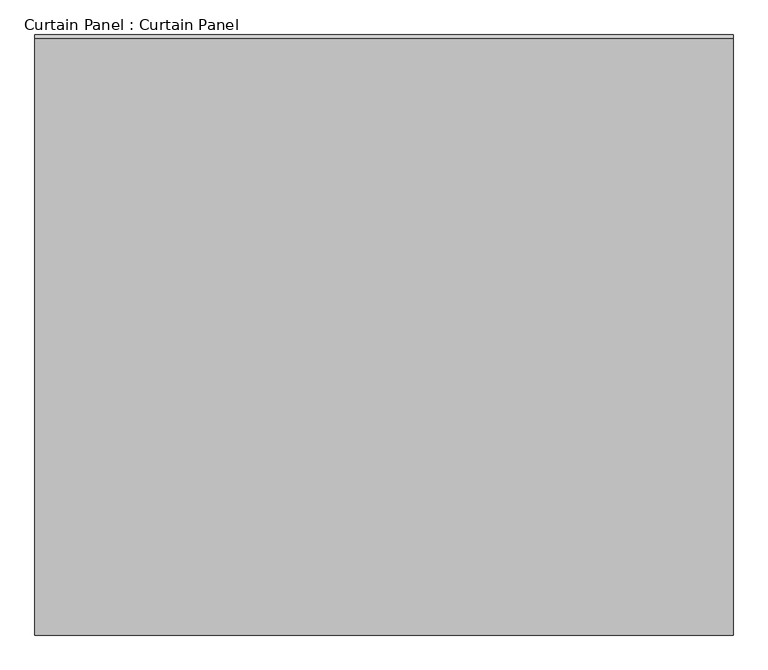
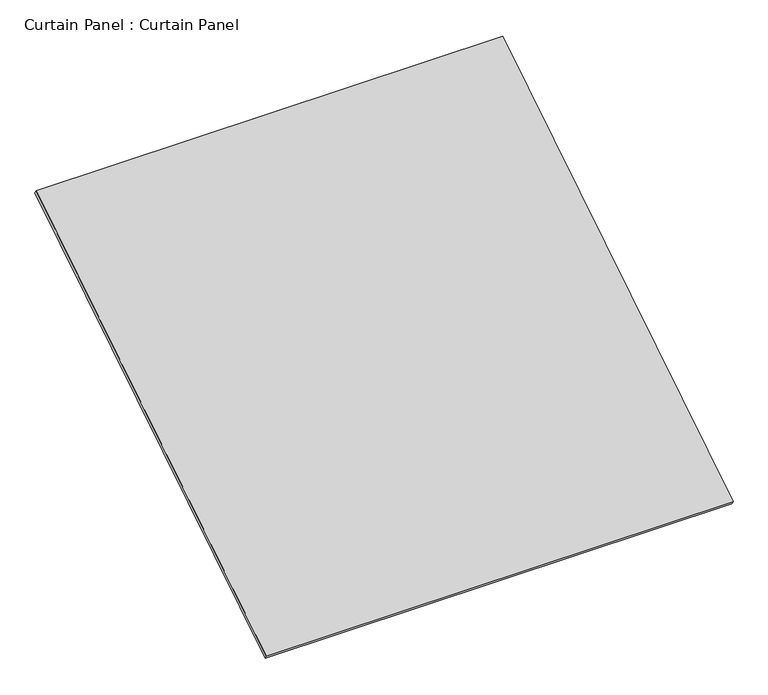
"""IFC4 building model written with IfcOpenShell, lengths in millimetres: plate geometry, Curtain Panel : Curtain Panel."""

from ifc_helpers import new_model, si_unit, frame, origin, place, context, project, spatial, polyline, outline, extrude, source, transform, mapped, element, save


def curtain_panel_curtain_panel_a835184f(model_context):
    return source(origin(), model_context, "Body", "SweptSolid", [
        extrude(outline(polyline([(-63.5, 0.0), (-63.5, -3013.0924897), (-3048.0, -3013.0924897), (-3048.0, 0.0), (-63.5, 0.0)])), frame((-123766.6430895, -3925.8916967, 7181.9913829), z_axis=(0.0, -0.5318918435658209, 0.8468122972348432), x_axis=(-1.0, 0.0, 0.0)), (0.0, 0.0, 1.0), 25.4),
    ])


if __name__ == "__main__":
    model = new_model("IFC4")
    model_context = context("Model", 3, world=origin())
    ifc_project = project(units=[si_unit("LENGTHUNIT", "METRE", prefix="MILLI")], contexts=[model_context])
    site = spatial("IfcSite", under=ifc_project)
    building = spatial("IfcBuilding", under=site)
    placement = place(None, origin())
    curtain_panel_curtain_panel_shape = curtain_panel_curtain_panel_a835184f(model_context)
    element("IfcPlate", 1, ObjectType="Curtain Panel : Curtain Panel", at=placement, inside=building, context=model_context, shape_type="MappedRepresentation", body=[
        mapped(curtain_panel_curtain_panel_shape, transform((0.0, 0.0, 0.0), x_axis=(1.0, 0.0, 0.0), y_axis=(0.0, 1.0, 0.0), z_axis=(0.0, 0.0, 1.0))),
    ])
    save(model, "model.ifc")
